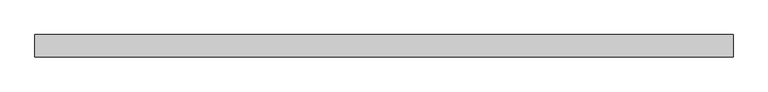
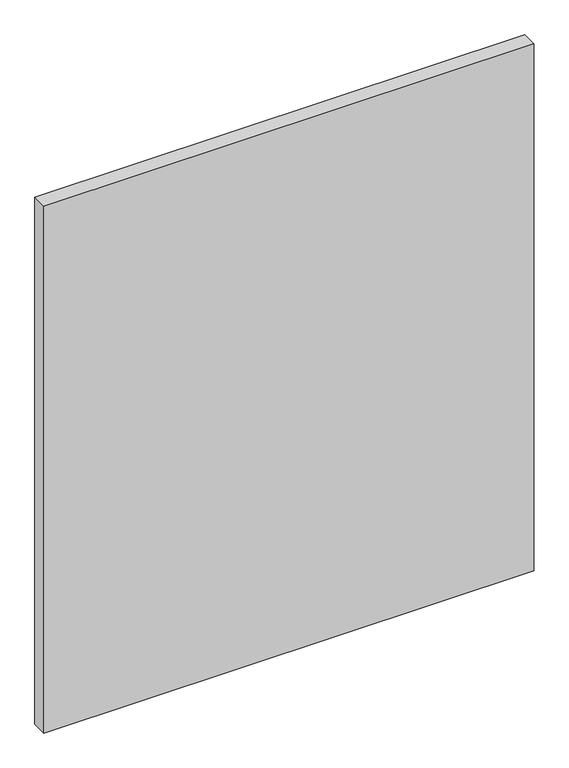
"""IFC4 building model written with IfcOpenShell, lengths in millimetres: plate geometry."""

from ifc_helpers import new_model, si_unit, origin, origin_with_axes, place, context, project, spatial, polyline, outline, extrude, source, transform, mapped, element, save


def plate_68508f5b(model_context):
    return source(origin(), model_context, "Body", "SweptSolid", [
        extrude(outline(polyline([(499.9999998, -32.0), (-499.9999998, -32.0), (-499.9999998, 0.0), (499.9999998, 0.0), (499.9999998, -32.0)])), origin_with_axes(), (0.0, 0.0, 1.0), 1137.5),
    ])


if __name__ == "__main__":
    model = new_model("IFC4")
    model_context = context("Model", 3, world=origin())
    ifc_project = project(units=[si_unit("LENGTHUNIT", "METRE", prefix="MILLI")], contexts=[model_context])
    site = spatial("IfcSite", under=ifc_project)
    building = spatial("IfcBuilding", under=site)
    placement = place(None, origin())
    plate_shape = plate_68508f5b(model_context)
    element("IfcPlate", 1, at=placement, inside=building, context=model_context, shape_type="MappedRepresentation", body=[
        mapped(plate_shape, transform((0.0, 0.0, 0.0), x_axis=(1.0, 0.0, 0.0), y_axis=(0.0, 1.0, 0.0), z_axis=(0.0, 0.0, 1.0))),
    ])
    save(model, "model.ifc")
